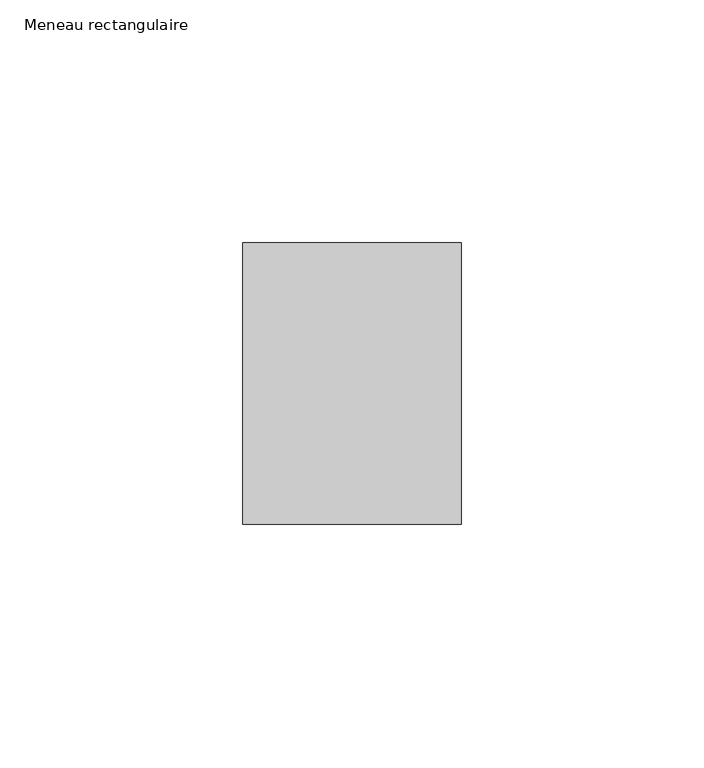
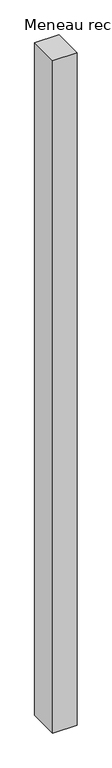
"""IFC4 building model written with IfcOpenShell, lengths in millimetres: member geometry, Meneau rectangulaire."""

from ifc_helpers import new_model, si_unit, frame, origin, place, context, project, spatial, polyline, outline, extrude, source, transform, mapped, element, save


def meneau_rectangulaire_19cb7b62(model_context):
    return source(origin(), model_context, "Body", "SweptSolid", [
        extrude(outline(polyline([(-45.0, 29.0), (0.0, 29.0), (0.0, -29.0), (-45.0, -29.0), (-45.0, 29.0)])), frame((0.0, 0.0, -1319.7500002), z_axis=(0.0, 0.0, 1.0), x_axis=(1.0, 0.0, 0.0)), (0.0, 0.0, 1.0), 1319.7500002),
    ])


if __name__ == "__main__":
    model = new_model("IFC4")
    model_context = context("Model", 3, world=origin())
    ifc_project = project(units=[si_unit("LENGTHUNIT", "METRE", prefix="MILLI")], contexts=[model_context])
    site = spatial("IfcSite", under=ifc_project)
    building = spatial("IfcBuilding", under=site)
    placement = place(None, origin())
    meneau_rectangulaire_shape = meneau_rectangulaire_19cb7b62(model_context)
    element("IfcMember", 1, ObjectType="Meneau rectangulaire", at=placement, inside=building, context=model_context, shape_type="MappedRepresentation", body=[
        mapped(meneau_rectangulaire_shape, transform((0.0, 0.0, 0.0), x_axis=(1.0, 0.0, 0.0), y_axis=(0.0, 1.0, 0.0), z_axis=(0.0, 0.0, 1.0))),
    ])
    save(model, "model.ifc")
